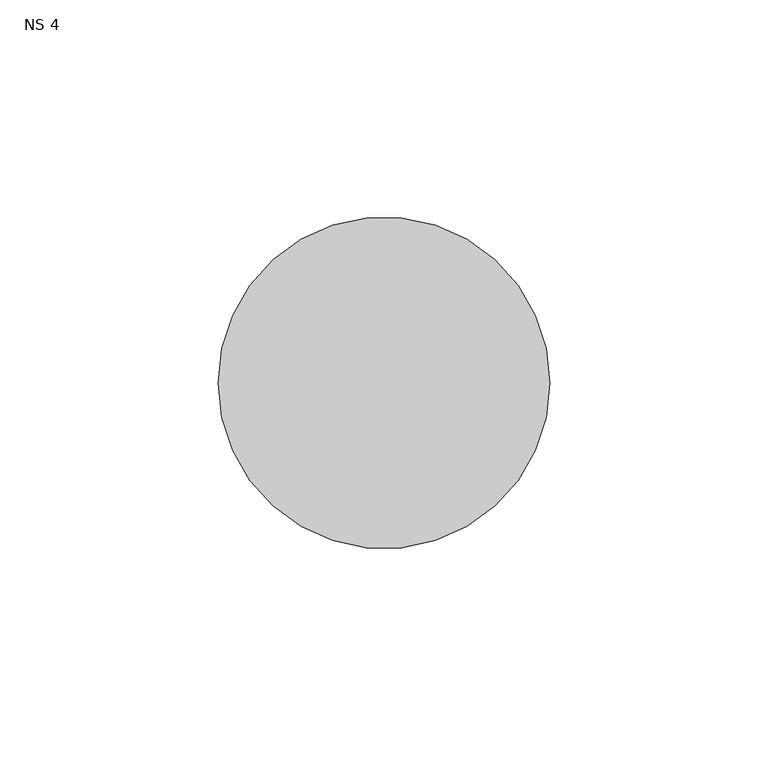
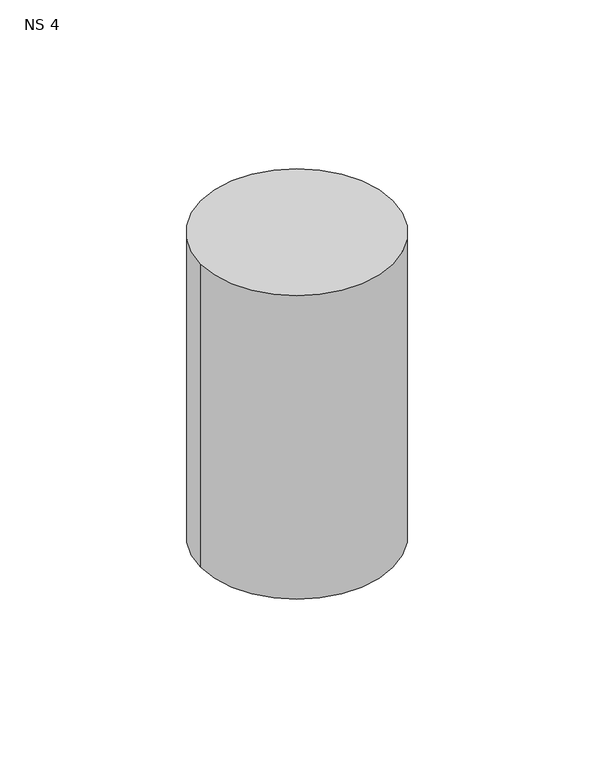
"""IFC4 building model written with IfcOpenShell, lengths in millimetres: unitary equipment geometry, NS 4."""

from ifc_helpers import new_model, si_unit, point, frame, frame_2d, origin, place, context, project, spatial, circle_curve, trimmed, segment, composite_curve, outline, extrude, source, transform, mapped, element, save


def ns_4_151a850e(model_context):
    return source(origin(), model_context, "Body", "SweptSolid", [
        extrude(outline(composite_curve([segment(trimmed(circle_curve(frame_2d((-654.5, 238.5395574)), 38.0), [point((-692.5, 238.5395574))], [point((-616.5, 238.5395574))], False, "CARTESIAN"), True, "CONTINUOUS"), segment(trimmed(circle_curve(frame_2d((-654.5, 238.5395574)), 38.0), [point((-616.5, 238.5395574))], [point((-692.5, 238.5395574))], False, "CARTESIAN"), True, "CONTINUOUS")], self_intersect=False)), frame((0.0, 0.0, 1260.0), z_axis=(0.0, 0.0, 1.0), x_axis=(1.0, 0.0, 0.0)), (0.0, 0.0, 1.0), 127.0),
    ])


if __name__ == "__main__":
    model = new_model("IFC4")
    model_context = context("Model", 3, world=origin())
    ifc_project = project(units=[si_unit("LENGTHUNIT", "METRE", prefix="MILLI")], contexts=[model_context])
    site = spatial("IfcSite", under=ifc_project)
    building = spatial("IfcBuilding", under=site)
    placement = place(None, origin())
    ns_4_shape = ns_4_151a850e(model_context)
    element("IfcUnitaryEquipment", 1, ObjectType="NS 4", at=placement, inside=building, context=model_context, shape_type="MappedRepresentation", body=[
        mapped(ns_4_shape, transform((0.0, 0.0, 0.0), x_axis=(1.0, 0.0, 0.0), y_axis=(0.0, 1.0, 0.0), z_axis=(0.0, 0.0, 1.0))),
    ])
    save(model, "model.ifc")
